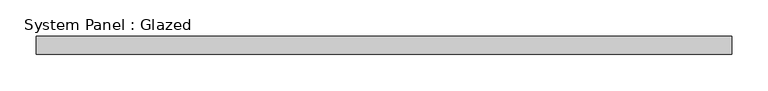
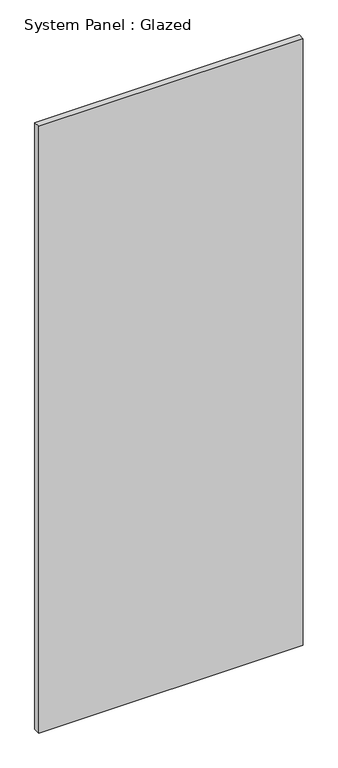
"""IFC4 building model written with IfcOpenShell, lengths in millimetres: plate geometry, System Panel : Glazed."""

from ifc_helpers import new_model, si_unit, origin, origin_with_axes, place, context, project, spatial, polyline, outline, extrude, source, transform, mapped, element, save


def system_panel_glazed_f7020bd8(model_context):
    return source(origin(), model_context, "Body", "SweptSolid", [
        extrude(outline(polyline([(479.6416276, 24.5), (-479.6416276, 24.5), (-479.6416276, 49.5), (479.6416276, 49.5), (479.6416276, 24.5)])), origin_with_axes(), (0.0, 0.0, 1.0), 2325.0),
    ])


if __name__ == "__main__":
    model = new_model("IFC4")
    model_context = context("Model", 3, world=origin())
    ifc_project = project(units=[si_unit("LENGTHUNIT", "METRE", prefix="MILLI")], contexts=[model_context])
    site = spatial("IfcSite", under=ifc_project)
    building = spatial("IfcBuilding", under=site)
    placement = place(None, origin())
    system_panel_glazed_shape = system_panel_glazed_f7020bd8(model_context)
    element("IfcPlate", 1, ObjectType="System Panel : Glazed", at=placement, inside=building, context=model_context, shape_type="MappedRepresentation", body=[
        mapped(system_panel_glazed_shape, transform((0.0, 0.0, 0.0), x_axis=(1.0, 0.0, 0.0), y_axis=(0.0, 1.0, 0.0), z_axis=(0.0, 0.0, 1.0))),
    ])
    save(model, "model.ifc")
